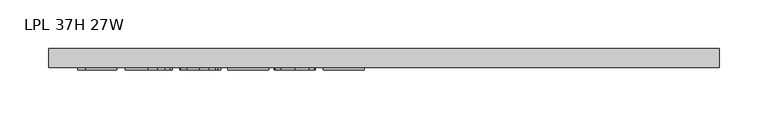
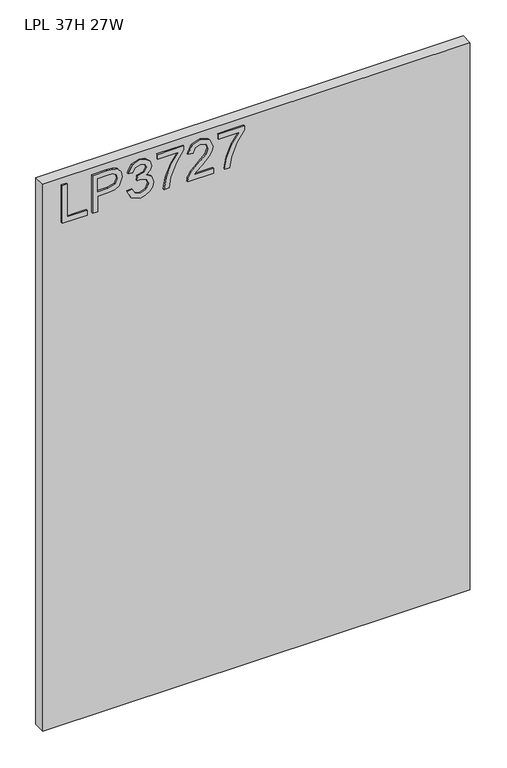
"""IFC4 building model written with IfcOpenShell, lengths in millimetres: furniture geometry, LPL 37H 27W."""

from ifc_helpers import new_model, si_unit, frame, origin, place, context, project, spatial, polyline, outline, extrude, source, transform, mapped, element, save


def lpl_37h_27w_8d0ad4a2(model_context):
    return source(origin(), model_context, "Body", "SweptSolid", [
        extrude(outline(polyline([(1868.4772502, 29.4553512), (1868.4772502, 69.3239493), (1876.4509698, 69.3239493), (1876.4509698, 37.4290708), (1932.2670071, 37.4290708), (1932.2670071, 29.4553512), (1868.4772502, 29.4553512)])), frame((0.0, -21.68525, 0.0), z_axis=(0.0, 1.0, 0.0), x_axis=(0.0, 0.0, 1.0)), (0.0, 0.0, 1.0), 2.38125),
        extrude(outline(polyline([(1868.4772502, 78.2943838), (1868.4772502, 86.2681034), (1894.391839, 86.2681034), (1894.391839, 102.4802951), (1895.8012562, 113.8081941), (1900.0295079, 121.0051769), (1913.8122069, 126.1367015), (1922.5101022, 124.2367137), (1928.6772759, 119.2142047), (1931.659634, 111.4663033), (1932.2670071, 101.9352166), (1932.2670071, 78.2943838), (1868.4772502, 78.2943838)]), holes=[polyline([(1902.3655586, 86.2681034), (1924.2932875, 86.2681034), (1924.2932875, 102.7606212), (1923.748209, 110.7343408), (1920.1351173, 116.1150442), (1913.5318808, 118.1629819), (1905.2934087, 114.6900533), (1902.3655586, 102.9475052), (1902.3655586, 86.2681034)])]), frame((0.0, -21.68525, 0.0), z_axis=(0.0, 1.0, 0.0), x_axis=(0.0, 0.0, 1.0)), (0.0, 0.0, 1.0), 2.38125),
        extrude(outline(polyline([(1885.4214044, 134.1104212), (1872.4796837, 140.4489053), (1867.4805352, 154.434062), (1868.9444603, 162.9567535), (1873.3362356, 169.8675701), (1879.8304565, 174.4462294), (1887.6017183, 175.9724491), (1897.9737833, 172.9200096), (1903.4245682, 164.2299011), (1908.7040427, 170.770843), (1916.0548155, 172.9823043), (1924.0986166, 170.6540405), (1930.0789063, 163.9262145), (1932.2670071, 154.3094726), (1927.8285109, 141.6325043), (1915.322853, 135.1071361), (1914.326138, 143.0808557), (1921.8015001, 146.9898472), (1924.2932875, 154.5897987), (1921.8248607, 162.0963082), (1915.5876054, 165.0085847), (1908.548306, 160.9905775), (1906.3524184, 150.6652336), (1898.3786988, 149.7775343), (1899.2508243, 155.3684822), (1895.9881402, 164.4323588), (1887.7418814, 167.9987295), (1878.9894782, 164.4012115), (1875.4542549, 154.7143881), (1878.0239106, 146.4837029), (1886.4181193, 142.0841408), (1885.4214044, 134.1104212)])), frame((0.0, -21.68525, 0.0), z_axis=(0.0, 1.0, 0.0), x_axis=(0.0, 0.0, 1.0)), (0.0, 0.0, 1.0), 2.38125),
        extrude(outline(polyline([(1923.2965726, 182.9494538), (1923.2965726, 216.8377622), (1906.796268, 204.7837407), (1886.4648404, 196.0858454), (1868.4772502, 192.9166033), (1868.4772502, 200.890323), (1885.8107462, 203.8493205), (1907.6683936, 212.9365576), (1924.8227923, 224.8114818), (1931.2702922, 224.8114818), (1931.2702922, 182.9494538), (1923.2965726, 182.9494538)])), frame((0.0, -21.68525, 0.0), z_axis=(0.0, 1.0, 0.0), x_axis=(0.0, 0.0, 1.0)), (0.0, 0.0, 1.0), 2.38125),
        extrude(outline(polyline([(1876.4509698, 272.6537995), (1876.4509698, 241.3351469), (1880.5079111, 244.9326649), (1888.1779442, 254.1055572), (1899.1028745, 265.528845), (1906.9208574, 270.2398805), (1914.4818747, 271.6570846), (1927.158843, 266.4009706), (1932.2670071, 252.127701), (1927.6727742, 237.9011524), (1914.326138, 231.7884865), (1913.3294231, 239.7622061), (1921.381011, 243.1183322), (1924.2932875, 251.9563906), (1921.3109295, 260.4362545), (1913.9990909, 263.6833649), (1904.9663617, 260.2415836), (1891.6820202, 246.4744583), (1882.4390464, 236.4917352), (1873.9747561, 231.6483234), (1868.4772502, 230.7917715), (1868.4772502, 272.6537995), (1876.4509698, 272.6537995)])), frame((0.0, -21.68525, 0.0), z_axis=(0.0, 1.0, 0.0), x_axis=(0.0, 0.0, 1.0)), (0.0, 0.0, 1.0), 2.38125),
        extrude(outline(polyline([(1923.2965726, 280.6275191), (1923.2965726, 314.5158275), (1906.796268, 302.4618061), (1886.4648404, 293.7639107), (1868.4772502, 290.5946687), (1868.4772502, 298.5683883), (1885.8107462, 301.5273858), (1907.6683936, 310.6146229), (1924.8227923, 322.4895471), (1931.2702922, 322.4895471), (1931.2702922, 280.6275191), (1923.2965726, 280.6275191)])), frame((0.0, -21.68525, 0.0), z_axis=(0.0, 1.0, 0.0), x_axis=(0.0, 0.0, 1.0)), (0.0, 0.0, 1.0), 2.38125),
        extrude(outline(polyline([(685.8, 0.0), (685.8, -19.304), (0.0, -19.304), (0.0, 0.0), (685.8, 0.0)])), frame((0.0, 0.0, 1016.0), z_axis=(0.0, 0.0, 1.0), x_axis=(1.0, 0.0, 0.0)), (0.0, 0.0, 1.0), 927.1),
    ])


if __name__ == "__main__":
    model = new_model("IFC4")
    model_context = context("Model", 3, world=origin())
    ifc_project = project(units=[si_unit("LENGTHUNIT", "METRE", prefix="MILLI")], contexts=[model_context])
    site = spatial("IfcSite", under=ifc_project)
    building = spatial("IfcBuilding", under=site)
    placement = place(None, origin())
    lpl_37h_27w_shape = lpl_37h_27w_8d0ad4a2(model_context)
    element("IfcFurniture", 1, ObjectType="LPL 37H 27W", at=placement, inside=building, context=model_context, shape_type="MappedRepresentation", body=[
        mapped(lpl_37h_27w_shape, transform((0.0, 0.0, 0.0), x_axis=(1.0, 0.0, 0.0), y_axis=(0.0, 1.0, 0.0), z_axis=(0.0, 0.0, 1.0))),
    ])
    save(model, "model.ifc")
